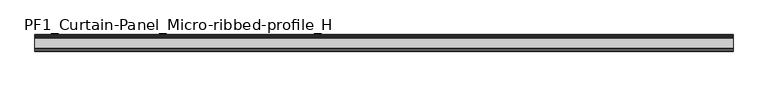
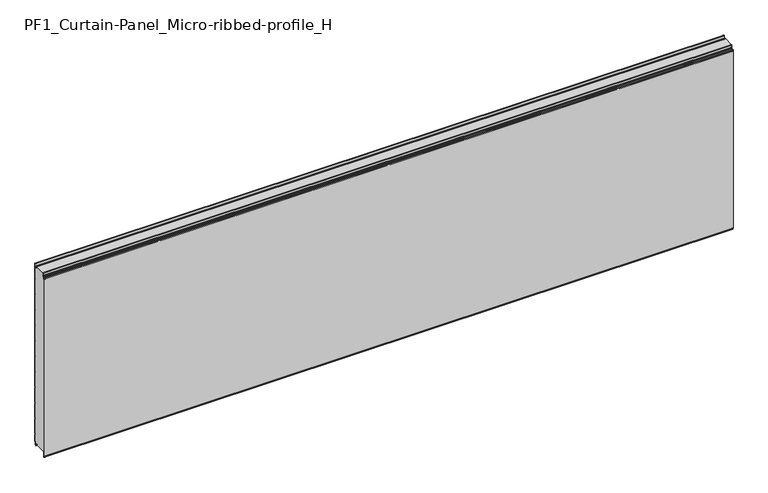
"""IFC4 building model written with IfcOpenShell, lengths in millimetres: plate geometry, PF1_Curtain-Panel_Micro-ribbed-profile_H."""

import ifcopenshell
import ifcopenshell.guid

model = None  # the IFC model being written
_history = None  # IfcOwnerHistory: only IFC2X3 demands one
_inside = {}  # id of a spatial element -> (the spatial element, [elements in it])
_under = {}  # id of a project, library or spatial element -> (it, [spatial elements below it])
_declared = {}  # id of a project -> (the project, [libraries it declares])
_typed = {}  # id of a type object -> (the type object, [elements of that type])
_made_of = {}  # id of a material, layer set ... -> (it, [elements and type objects made of it])


def new_model(schema):
    """Start an empty IFC model of exactly this schema.

    Asked for "IFC4X3", IfcOpenShell would pick the latest addendum, in which some entities
    have other attributes; the version numbers below select the first issue.
    IFC2X3 requires an IfcOwnerHistory on every rooted entity: one is made here for all.
    """
    global model, _history
    if schema == "IFC4X3":
        model = ifcopenshell.file(schema_version=(4, 3, 0, 0))
    else:
        model = ifcopenshell.file(schema=schema)
    _inside.clear()
    _under.clear()
    _declared.clear()
    _typed.clear()
    _made_of.clear()
    _history = None
    if model.schema == "IFC2X3":
        org = make("IfcOrganization", Name="unknown")
        user = make(
            "IfcPersonAndOrganization",
            ThePerson=make("IfcPerson", FamilyName="unknown"),
            TheOrganization=org,
        )
        app = make(
            "IfcApplication",
            ApplicationDeveloper=org,
            Version="unknown",
            ApplicationFullName="unknown",
            ApplicationIdentifier="unknown",
        )
        _history = make(
            "IfcOwnerHistory",
            OwningUser=user,
            OwningApplication=app,
            ChangeAction="ADDED",
            CreationDate=0,
        )
    return model


def make(cls, **values):
    """One entity of the class cls with the attributes given. An attribute that is None is left unset."""
    return model.create_entity(
        cls, **{name: value for name, value in values.items() if value is not None}
    )


def rooted(cls, **values):
    """An entity with a GlobalId (a new one), such as an element, a storey or a relation."""
    return make(cls, GlobalId=ifcopenshell.guid.new(), OwnerHistory=_history, **values)


def si_unit(unit_type, name, prefix=None):
    """IfcSIUnit, for example si_unit("LENGTHUNIT", "METRE", prefix="MILLI")."""
    return make("IfcSIUnit", UnitType=unit_type, Prefix=prefix, Name=name)


def assignment(units):
    """IfcUnitAssignment: the units of a project."""
    return None if units is None else make("IfcUnitAssignment", Units=units)


def point(xyz):
    """IfcCartesianPoint."""
    return None if xyz is None else make("IfcCartesianPoint", Coordinates=xyz)


def direction(xyz):
    """IfcDirection."""
    return None if xyz is None else make("IfcDirection", DirectionRatios=xyz)


def frame(location, z_axis=None, x_axis=None):
    """IfcAxis2Placement3D, a coordinate frame: its origin and axes. An axis left out is left unset."""
    return make(
        "IfcAxis2Placement3D",
        Location=point(location),
        Axis=direction(z_axis),
        RefDirection=direction(x_axis),
    )


def frame_2d(location, x_axis=None):
    """IfcAxis2Placement2D, a coordinate frame in the plane: its origin and x axis."""
    return make(
        "IfcAxis2Placement2D", Location=point(location), RefDirection=direction(x_axis)
    )


def origin():
    """The frame at (0, 0, 0) with its axes left unset."""
    return frame((0.0, 0.0, 0.0))


def place(relative_to, where):
    """IfcLocalPlacement: puts the frame where relative to a parent placement (None: the world)."""
    return make(
        "IfcLocalPlacement", PlacementRelTo=relative_to, RelativePlacement=where
    )


def context(
    kind, dimensions, precision=None, world=None, true_north=None, identifier=None
):
    """IfcGeometricRepresentationContext, for example the 3D "Model" context."""
    return make(
        "IfcGeometricRepresentationContext",
        ContextIdentifier=identifier,
        ContextType=kind,
        CoordinateSpaceDimension=dimensions,
        Precision=precision,
        WorldCoordinateSystem=world,
        TrueNorth=true_north,
    )


def project(units=None, contexts=None):
    """IfcProject with its units and contexts."""
    return rooted(
        "IfcProject",
        Name="project",
        RepresentationContexts=contexts,
        UnitsInContext=assignment(units),
    )


def spatial(cls, under=None, at=None, **own):
    """A site, building, storey or space (cls), placed at a placement, below another one or the project."""
    s = rooted(cls, ObjectPlacement=at, **own)
    if under is not None:
        _under.setdefault(under.id(), (under, []))[1].append(s)
    return s


def polyline(points):
    """IfcPolyline through the points."""
    return make("IfcPolyline", Points=[point(p) for p in points])


def circle_curve(where, radius):
    """IfcCircle in the frame where."""
    return make("IfcCircle", Position=where, Radius=radius)


def trimmed(basis, trim1, trim2, sense, master):
    """IfcTrimmedCurve: the piece of a basis curve between two trims."""
    return make(
        "IfcTrimmedCurve",
        BasisCurve=basis,
        Trim1=trim1,
        Trim2=trim2,
        SenseAgreement=sense,
        MasterRepresentation=master,
    )


def segment(curve, same_sense, transition):
    """IfcCompositeCurveSegment."""
    return make(
        "IfcCompositeCurveSegment",
        Transition=transition,
        SameSense=same_sense,
        ParentCurve=curve,
    )


def composite_curve(segments, self_intersect=None):
    """IfcCompositeCurve: segments joined end to end."""
    return make("IfcCompositeCurve", Segments=segments, SelfIntersect=self_intersect)


def outline(outer, holes=None, kind="AREA"):
    """IfcArbitraryClosedProfileDef: a profile drawn as a closed curve; with holes, ...WithVoids."""
    if holes is None:
        return make("IfcArbitraryClosedProfileDef", ProfileType=kind, OuterCurve=outer)
    return make(
        "IfcArbitraryProfileDefWithVoids",
        ProfileType=kind,
        OuterCurve=outer,
        InnerCurves=holes,
    )


def extrude(swept, where, along, depth):
    """IfcExtrudedAreaSolid: the profile swept, set in the frame where, extruded along a direction by depth."""
    return make(
        "IfcExtrudedAreaSolid",
        SweptArea=swept,
        Position=where,
        ExtrudedDirection=direction(along),
        Depth=depth,
    )


def shape(context_of_items, identifier, shape_type, items):
    """IfcShapeRepresentation: the items that make up one representation, for example the "Body"."""
    return make(
        "IfcShapeRepresentation",
        ContextOfItems=context_of_items,
        RepresentationIdentifier=identifier,
        RepresentationType=shape_type,
        Items=items,
    )


def source(mapping_origin, context_of_items, identifier, shape_type, items):
    """IfcRepresentationMap: a shape defined once, which mapped items show again and again."""
    return make(
        "IfcRepresentationMap",
        MappingOrigin=mapping_origin,
        MappedRepresentation=shape(context_of_items, identifier, shape_type, items),
    )


def transform(
    local_origin,
    x_axis=None,
    y_axis=None,
    z_axis=None,
    scale=None,
    scale2=None,
    scale3=None,
    uniform=True,
):
    """IfcCartesianTransformationOperator3D, or its non-uniform kind. x_axis, y_axis, z_axis: its Axis1, 2, 3."""
    if uniform:
        return make(
            "IfcCartesianTransformationOperator3D",
            Axis1=direction(x_axis),
            Axis2=direction(y_axis),
            LocalOrigin=point(local_origin),
            Scale=scale,
            Axis3=direction(z_axis),
        )
    return make(
        "IfcCartesianTransformationOperator3DnonUniform",
        Axis1=direction(x_axis),
        Axis2=direction(y_axis),
        LocalOrigin=point(local_origin),
        Scale=scale,
        Axis3=direction(z_axis),
        Scale2=scale2,
        Scale3=scale3,
    )


def mapped(mapping_source, mapping_target):
    """IfcMappedItem: shows the shape of a source again, moved by a transform."""
    return make(
        "IfcMappedItem", MappingSource=mapping_source, MappingTarget=mapping_target
    )


def made_of(thing, what):
    """Note that an element or type object is made of a material, layer set ...; save() writes the relation."""
    if what is not None:
        _made_of.setdefault(what.id(), (what, []))[1].append(thing)
    return thing


def element(
    cls,
    number,
    at=None,
    inside=None,
    cuts=None,
    type_object=None,
    material=None,
    context=None,
    identifier="Body",
    shape_type=None,
    held_by="IfcProductDefinitionShape",
    body=None,
    shapes=None,
    **own,
):
    """One element of the class cls, such as IfcWall. Its Tag is "e" and its number.

    at: its placement. inside: the storey or other place that contains it. cuts: it is an
    opening in that element (IfcRelVoidsElement). A single representation is given by context,
    identifier, shape_type and body (its items); several are given by shapes. held_by: the class
    of the entity that holds the representations. save() writes the other relations.
    """
    e = rooted(cls, Tag="e%d" % number, ObjectPlacement=at, **own)
    if body is not None:
        shapes = [shape(context, identifier, shape_type, body)]
    if shapes is not None:
        e.Representation = make(held_by, Representations=shapes)
    if inside is not None:
        _inside.setdefault(inside.id(), (inside, []))[1].append(e)
    if cuts is not None:
        rooted(
            "IfcRelVoidsElement", RelatingBuildingElement=cuts, RelatedOpeningElement=e
        )
    if type_object is not None:
        _typed.setdefault(type_object.id(), (type_object, []))[1].append(e)
    return made_of(e, material)


def aggregate(whole, parts):
    """IfcRelAggregates: a whole, such as a stair, and the parts it consists of."""
    return rooted("IfcRelAggregates", RelatingObject=whole, RelatedObjects=parts)


def save(model, path):
    """Write the relations noted so far, then the file.

    IfcRelAggregates (storeys below a building ...), IfcRelContainedInSpatialStructure (elements
    in a storey), IfcRelDefinesByType, IfcRelAssociatesMaterial and IfcRelDeclares: one each for
    every whole, place, type object, material and project.
    """
    for whole, parts in _under.values():
        aggregate(whole, parts)
    for where, things in _inside.values():
        rooted(
            "IfcRelContainedInSpatialStructure",
            RelatedElements=things,
            RelatingStructure=where,
        )
    for kind, things in _typed.values():
        rooted("IfcRelDefinesByType", RelatedObjects=things, RelatingType=kind)
    for what, things in _made_of.values():
        rooted("IfcRelAssociatesMaterial", RelatedObjects=things, RelatingMaterial=what)
    for by, libraries in _declared.values():
        rooted("IfcRelDeclares", RelatingContext=by, RelatedDefinitions=libraries)
    model.write(path)


def pf1_curtain_panel_micro_ribbed_profile_h_33a53c1e(model_context):
    return source(origin(), model_context, "Body", "SweptSolid", [
        extrude(outline(composite_curve([segment(polyline([(-90.0, 0.0), (-93.5, 0.0)]), True, "CONTINUOUS"), segment(trimmed(circle_curve(frame_2d((-93.5, -2.0)), 2.0), [point((-93.5, 0.0))], [point((-95.5, -2.0))], True, "CARTESIAN"), True, "CONTINUOUS"), segment(polyline([(-95.5, -2.0), (-95.5, -33.0)]), True, "CONTINUOUS"), segment(trimmed(circle_curve(frame_2d((-96.5, -33.0)), 1.0), [point((-95.5, -33.0))], [point((-97.5, -33.0))], False, "CARTESIAN"), True, "CONTINUOUS"), segment(polyline([(-97.5, -33.0), (-97.5, -26.9)]), True, "CONTINUOUS"), segment(trimmed(circle_curve(frame_2d((-98.4, -26.9)), 0.9), [point((-97.5, -26.9))], [point((-98.4, -26.0))], True, "CARTESIAN"), True, "CONTINUOUS"), segment(trimmed(circle_curve(frame_2d((-98.4, -24.4)), 1.6), [point((-98.4, -26.0))], [point((-100.0, -24.4))], False, "CARTESIAN"), True, "CONTINUOUS"), segment(polyline([(-100.0, -24.4), (-100.0, 1123.168846)]), True, "CONTINUOUS"), segment(trimmed(circle_curve(frame_2d((-99.0, 1123.168846)), 1.0), [point((-100.0, 1123.168846))], [point((-98.0, 1123.168846))], False, "CARTESIAN"), True, "CONTINUOUS"), segment(polyline([(-98.0, 1123.168846), (-98.0, 1117.168846)]), True, "CONTINUOUS"), segment(trimmed(circle_curve(frame_2d((-96.5, 1117.168846)), 1.5), [point((-98.0, 1117.168846))], [point((-95.0, 1117.168846))], True, "CARTESIAN"), True, "CONTINUOUS"), segment(polyline([(-95.0, 1117.168846), (-95.0, 1117.9964664)]), True, "CONTINUOUS"), segment(trimmed(circle_curve(frame_2d((-88.8276204, 1117.9964664)), 6.1723796), [point((-95.0, 1117.9964664))], [point((-88.8276204, 1124.168846))], False, "CARTESIAN"), True, "CONTINUOUS"), segment(polyline([(-88.8276204, 1124.168846), (-88.0, 1124.168846)]), True, "CONTINUOUS"), segment(trimmed(circle_curve(frame_2d((-88.0, 1125.168846)), 1.0), [point((-88.0, 1124.168846))], [point((-87.0, 1125.168846))], True, "CARTESIAN"), True, "CONTINUOUS"), segment(polyline([(-87.0, 1125.168846), (-87.0, 1131.6688472), (-85.4999999, 1133.168846), (-87.0, 1134.6688448), (-87.0, 1146.568846)]), True, "CONTINUOUS"), segment(trimmed(circle_curve(frame_2d((-84.4, 1146.568846)), 2.6), [point((-87.0, 1146.568846))], [point((-84.4, 1149.168846))], False, "CARTESIAN"), True, "CONTINUOUS"), segment(polyline([(-84.4, 1149.168846), (-83.0, 1149.168846), (-83.0, 1148.368846), (-84.4, 1148.368846)]), True, "CONTINUOUS"), segment(trimmed(circle_curve(frame_2d((-84.4, 1146.568846)), 1.8), [point((-84.4, 1148.368846))], [point((-86.2, 1146.568846))], True, "CARTESIAN"), True, "CONTINUOUS"), segment(polyline([(-86.2, 1146.568846), (-86.2, 1135.0002158), (-84.3686285, 1133.168846), (-86.2, 1131.3374762), (-86.2, 1125.168846)]), True, "CONTINUOUS"), segment(trimmed(circle_curve(frame_2d((-88.0, 1125.168846)), 1.8), [point((-86.2, 1125.168846))], [point((-88.0, 1123.368846))], False, "CARTESIAN"), True, "CONTINUOUS"), segment(polyline([(-88.0, 1123.368846), (-88.8276204, 1123.368846)]), True, "CONTINUOUS"), segment(trimmed(circle_curve(frame_2d((-88.8276204, 1117.9964664)), 5.3723796), [point((-88.8276204, 1123.368846))], [point((-94.2, 1117.9964664))], True, "CARTESIAN"), True, "CONTINUOUS"), segment(polyline([(-94.2, 1117.9964664), (-94.2, 1117.168846)]), True, "CONTINUOUS"), segment(trimmed(circle_curve(frame_2d((-96.4, 1117.168846)), 2.2), [point((-94.2, 1117.168846))], [point((-98.6, 1117.168846))], False, "CARTESIAN"), True, "CONTINUOUS"), segment(polyline([(-98.6, 1117.168846), (-98.6, 1123.0579973)]), True, "CONTINUOUS"), segment(trimmed(circle_curve(frame_2d((-98.9, 1123.0579973)), 0.3), [point((-98.6, 1123.0579973))], [point((-99.2, 1123.0579973))], True, "CARTESIAN"), True, "CONTINUOUS"), segment(polyline([(-99.2, 1123.0579973), (-99.2, -24.4)]), True, "CONTINUOUS"), segment(trimmed(circle_curve(frame_2d((-98.4, -24.4)), 0.8), [point((-99.2, -24.4))], [point((-98.4, -25.2))], True, "CARTESIAN"), True, "CONTINUOUS"), segment(trimmed(circle_curve(frame_2d((-98.6133333, -26.9)), 1.7133333), [point((-98.4, -25.2))], [point((-96.9, -26.9))], False, "CARTESIAN"), True, "CONTINUOUS"), segment(polyline([(-96.9, -26.9), (-96.9, -32.8700312)]), True, "CONTINUOUS"), segment(trimmed(circle_curve(frame_2d((-96.6, -32.8700312)), 0.3), [point((-96.9, -32.8700312))], [point((-96.3, -32.8700312))], True, "CARTESIAN"), True, "CONTINUOUS"), segment(polyline([(-96.3, -32.8700312), (-96.3, -2.0)]), True, "CONTINUOUS"), segment(trimmed(circle_curve(frame_2d((-93.5, -2.0)), 2.8), [point((-96.3, -2.0))], [point((-93.5, 0.8))], False, "CARTESIAN"), True, "CONTINUOUS"), segment(polyline([(-93.5, 0.8), (-90.0, 0.8), (-90.0, 0.0)]), True, "CONTINUOUS")], self_intersect=False)), frame((-2100.0, 0.0, 0.0), z_axis=(1.0, 0.0, 0.0), x_axis=(0.0, 1.0, 0.0)), (0.0, 0.0, 1.0), 4200.0),
        extrude(outline(composite_curve([segment(polyline([(-15.878557, 0.0), (-20.0, 0.0), (-20.0, 0.8), (-15.878557, 0.8)]), True, "CONTINUOUS"), segment(trimmed(circle_curve(frame_2d((-15.878557, -2.0)), 2.8), [point((-15.878557, 0.8))], [point((-13.1503208, -1.370137))], False, "CARTESIAN"), True, "CONTINUOUS"), segment(polyline([(-13.1503208, -1.370137), (-11.728236, -7.529863)]), True, "CONTINUOUS"), segment(trimmed(circle_curve(frame_2d((-9.0, -6.9)), 2.8), [point((-11.728236, -7.529863))], [point((-6.2, -6.9))], True, "CARTESIAN"), True, "CONTINUOUS"), segment(polyline([(-6.2, -6.9), (-6.2, 8.6)]), True, "CONTINUOUS"), segment(trimmed(circle_curve(frame_2d((-3.4, 8.6)), 2.8), [point((-6.2, 8.6))], [point((-3.4, 11.4))], False, "CARTESIAN"), True, "CONTINUOUS"), segment(polyline([(-3.4, 11.4), (-2.0, 11.4)]), True, "CONTINUOUS"), segment(trimmed(circle_curve(frame_2d((-2.0, 12.6)), 1.2), [point((-2.0, 11.4))], [point((-0.8, 12.6))], True, "CARTESIAN"), True, "CONTINUOUS"), segment(polyline([(-0.8, 12.6), (-0.8, 57.6856412), (-2.482606, 60.6), (-0.8, 63.5143588), (-0.8, 157.6856412), (-2.482606, 160.6), (-0.8, 163.5143588), (-0.8, 257.6856412), (-2.482606, 260.6), (-0.8, 263.5143588), (-0.8, 357.6856412), (-2.482606, 360.6), (-0.8, 363.5143588), (-0.8, 457.6856412), (-2.482606, 460.6), (-0.8, 463.5143588), (-0.8, 557.6856412), (-2.482606, 560.6), (-0.8, 563.5143588), (-0.8, 657.6856412), (-2.482606, 660.6), (-0.8, 663.5143588), (-0.8, 757.6856412), (-2.482606, 760.6), (-0.8, 763.5143588), (-0.8, 857.6856412), (-2.482606, 860.6), (-0.8, 863.5143588), (-0.8, 957.6856412), (-2.482606, 960.6), (-0.8, 963.5143588), (-0.8, 1057.6856412), (-2.482606, 1060.6), (-0.8, 1063.5143588), (-0.8, 1158.268846)]), True, "CONTINUOUS"), segment(trimmed(circle_curve(frame_2d((-2.5, 1158.268846)), 1.7), [point((-0.8, 1158.268846))], [point((-4.2, 1158.268846))], True, "CARTESIAN"), True, "CONTINUOUS"), segment(polyline([(-4.2, 1158.268846), (-4.2, 1141.268846)]), True, "CONTINUOUS"), segment(trimmed(circle_curve(frame_2d((-9.0, 1141.268846)), 4.8), [point((-4.2, 1141.268846))], [point((-13.7270771, 1140.4353344))], False, "CARTESIAN"), True, "CONTINUOUS"), segment(polyline([(-13.7270771, 1140.4353344), (-14.8636953, 1146.8814129)]), True, "CONTINUOUS"), segment(trimmed(circle_curve(frame_2d((-16.6363492, 1146.568846)), 1.8), [point((-14.8636953, 1146.8814129))], [point((-16.6363492, 1148.368846))], True, "CARTESIAN"), True, "CONTINUOUS"), segment(polyline([(-16.6363492, 1148.368846), (-20.0, 1148.368846), (-20.0, 1149.168846), (-16.6363492, 1149.168846)]), True, "CONTINUOUS"), segment(trimmed(circle_curve(frame_2d((-16.6363492, 1146.568846)), 2.6), [point((-16.6363492, 1149.168846))], [point((-14.0758491, 1147.0203315))], False, "CARTESIAN"), True, "CONTINUOUS"), segment(polyline([(-14.0758491, 1147.0203315), (-12.939231, 1140.574253)]), True, "CONTINUOUS"), segment(trimmed(circle_curve(frame_2d((-9.0, 1141.268846)), 4.0), [point((-12.939231, 1140.574253))], [point((-5.0, 1141.268846))], True, "CARTESIAN"), True, "CONTINUOUS"), segment(polyline([(-5.0, 1141.268846), (-5.0, 1158.268846)]), True, "CONTINUOUS"), segment(trimmed(circle_curve(frame_2d((-2.5, 1158.268846)), 2.5), [point((-5.0, 1158.268846))], [point((0.0, 1158.268846))], False, "CARTESIAN"), True, "CONTINUOUS"), segment(polyline([(0.0, 1158.268846), (0.0, 1063.2999995), (-1.5588455, 1060.6), (0.0, 1057.9000005), (0.0, 963.2999995), (-1.5588455, 960.6), (0.0, 957.9000005), (0.0, 863.2999995), (-1.5588455, 860.6), (0.0, 857.9000005), (0.0, 763.2999995), (-1.5588455, 760.6), (0.0, 757.9000005), (0.0, 663.2999995), (-1.5588455, 660.6), (0.0, 657.9000005), (0.0, 563.2999995), (-1.5588455, 560.6), (0.0, 557.9000005), (0.0, 463.2999995), (-1.5588455, 460.6), (0.0, 457.9000005), (0.0, 363.2999995), (-1.5588455, 360.6), (0.0, 357.9000005), (0.0, 263.2999995), (-1.5588455, 260.6), (0.0, 257.9000005), (0.0, 163.2999995), (-1.5588455, 160.6), (0.0, 157.9000005), (0.0, 63.2999995), (-1.5588455, 60.6), (0.0, 57.9000005), (0.0, 12.6)]), True, "CONTINUOUS"), segment(trimmed(circle_curve(frame_2d((-2.0, 12.6)), 2.0), [point((0.0, 12.6))], [point((-2.0, 10.6))], False, "CARTESIAN"), True, "CONTINUOUS"), segment(polyline([(-2.0, 10.6), (-3.4, 10.6)]), True, "CONTINUOUS"), segment(trimmed(circle_curve(frame_2d((-3.4, 8.6)), 2.0), [point((-3.4, 10.6))], [point((-5.4, 8.6))], True, "CARTESIAN"), True, "CONTINUOUS"), segment(polyline([(-5.4, 8.6), (-5.4, -6.9)]), True, "CONTINUOUS"), segment(trimmed(circle_curve(frame_2d((-9.0, -6.9)), 3.6), [point((-5.4, -6.9))], [point((-12.5077322, -7.7098239))], False, "CARTESIAN"), True, "CONTINUOUS"), segment(polyline([(-12.5077322, -7.7098239), (-13.929817, -1.5500979)]), True, "CONTINUOUS"), segment(trimmed(circle_curve(frame_2d((-15.878557, -2.0)), 2.0), [point((-13.929817, -1.5500979))], [point((-15.878557, 0.0))], True, "CARTESIAN"), True, "CONTINUOUS")], self_intersect=False)), frame((-2100.0, 0.0, 0.0), z_axis=(1.0, 0.0, 0.0), x_axis=(0.0, 1.0, 0.0)), (0.0, 0.0, 1.0), 4200.0),
        extrude(outline(composite_curve([segment(polyline([(-90.0, 0.8), (-93.5, 0.8)]), True, "CONTINUOUS"), segment(trimmed(circle_curve(frame_2d((-93.5, -2.0)), 2.8), [point((-93.5, 0.8))], [point((-96.3, -2.0))], True, "CARTESIAN"), True, "CONTINUOUS"), segment(polyline([(-96.3, -2.0), (-96.3, -32.8700312)]), True, "CONTINUOUS"), segment(trimmed(circle_curve(frame_2d((-96.6, -32.8700312)), 0.3), [point((-96.3, -32.8700312))], [point((-96.9, -32.8700312))], False, "CARTESIAN"), True, "CONTINUOUS"), segment(polyline([(-96.9, -32.8700312), (-96.9, -26.9)]), True, "CONTINUOUS"), segment(trimmed(circle_curve(frame_2d((-98.6133333, -26.9)), 1.7133333), [point((-96.9, -26.9))], [point((-98.4, -25.2))], True, "CARTESIAN"), True, "CONTINUOUS"), segment(trimmed(circle_curve(frame_2d((-98.4, -24.4)), 0.8), [point((-98.4, -25.2))], [point((-99.2, -24.4))], False, "CARTESIAN"), True, "CONTINUOUS"), segment(polyline([(-99.2, -24.4), (-99.2, 1123.0579973)]), True, "CONTINUOUS"), segment(trimmed(circle_curve(frame_2d((-98.9, 1123.0579973)), 0.3), [point((-99.2, 1123.0579973))], [point((-98.6, 1123.0579973))], False, "CARTESIAN"), True, "CONTINUOUS"), segment(polyline([(-98.6, 1123.0579973), (-98.6, 1117.168846)]), True, "CONTINUOUS"), segment(trimmed(circle_curve(frame_2d((-96.4, 1117.168846)), 2.2), [point((-98.6, 1117.168846))], [point((-94.2, 1117.168846))], True, "CARTESIAN"), True, "CONTINUOUS"), segment(polyline([(-94.2, 1117.168846), (-94.2, 1117.9964664)]), True, "CONTINUOUS"), segment(trimmed(circle_curve(frame_2d((-88.8276204, 1117.9964664)), 5.3723796), [point((-94.2, 1117.9964664))], [point((-88.8276204, 1123.368846))], False, "CARTESIAN"), True, "CONTINUOUS"), segment(polyline([(-88.8276204, 1123.368846), (-88.0, 1123.368846)]), True, "CONTINUOUS"), segment(trimmed(circle_curve(frame_2d((-88.0, 1125.168846)), 1.8), [point((-88.0, 1123.368846))], [point((-86.2, 1125.168846))], True, "CARTESIAN"), True, "CONTINUOUS"), segment(polyline([(-86.2, 1125.168846), (-86.2, 1131.3374762), (-84.3686285, 1133.168846), (-86.2, 1135.0002158), (-86.2, 1146.568846)]), True, "CONTINUOUS"), segment(trimmed(circle_curve(frame_2d((-84.4, 1146.568846)), 1.8), [point((-86.2, 1146.568846))], [point((-84.4, 1148.368846))], False, "CARTESIAN"), True, "CONTINUOUS"), segment(polyline([(-84.4, 1148.368846), (-83.0, 1148.368846), (-83.0, 1149.168846), (-20.0, 1149.168846), (-20.0, 1148.368846), (-16.6363492, 1148.368846)]), True, "CONTINUOUS"), segment(trimmed(circle_curve(frame_2d((-16.6363492, 1146.568846)), 1.8), [point((-16.6363492, 1148.368846))], [point((-14.8636953, 1146.8814129))], False, "CARTESIAN"), True, "CONTINUOUS"), segment(polyline([(-14.8636953, 1146.8814129), (-13.7270772, 1140.4353344)]), True, "CONTINUOUS"), segment(trimmed(circle_curve(frame_2d((-9.0, 1141.268846)), 4.8), [point((-13.7270772, 1140.4353344))], [point((-4.2, 1141.268846))], True, "CARTESIAN"), True, "CONTINUOUS"), segment(polyline([(-4.2, 1141.268846), (-4.2, 1158.268846)]), True, "CONTINUOUS"), segment(trimmed(circle_curve(frame_2d((-2.5, 1158.268846)), 1.7), [point((-4.2, 1158.268846))], [point((-0.8, 1158.268846))], False, "CARTESIAN"), True, "CONTINUOUS"), segment(polyline([(-0.8, 1158.268846), (-0.8, 1063.5143588), (-2.482606, 1060.6), (-0.8, 1057.6856412), (-0.8, 963.5143588), (-2.482606, 960.6), (-0.8, 957.6856412), (-0.8, 863.5143588), (-2.482606, 860.6), (-0.8, 857.6856412), (-0.8, 763.5143588), (-2.482606, 760.6), (-0.8, 757.6856412), (-0.8, 663.5143588), (-2.482606, 660.6), (-0.8, 657.6856412), (-0.8, 563.5143588), (-2.482606, 560.6), (-0.8, 557.6856412), (-0.8, 463.5143588), (-2.482606, 460.6), (-0.8, 457.6856412), (-0.8, 363.5143588), (-2.482606, 360.6), (-0.8, 357.6856412), (-0.8, 263.5143588), (-2.482606, 260.6), (-0.8, 257.6856412), (-0.8, 163.5143588), (-2.482606, 160.6), (-0.8, 157.6856412), (-0.8, 63.5143588), (-2.482606, 60.6), (-0.8, 57.6856412), (-0.8, 12.6)]), True, "CONTINUOUS"), segment(trimmed(circle_curve(frame_2d((-2.0, 12.6)), 1.2), [point((-0.8, 12.6))], [point((-2.0, 11.4))], False, "CARTESIAN"), True, "CONTINUOUS"), segment(polyline([(-2.0, 11.4), (-3.4, 11.4)]), True, "CONTINUOUS"), segment(trimmed(circle_curve(frame_2d((-3.4, 8.6)), 2.8), [point((-3.4, 11.4))], [point((-6.2, 8.6))], True, "CARTESIAN"), True, "CONTINUOUS"), segment(polyline([(-6.2, 8.6), (-6.2, -6.9)]), True, "CONTINUOUS"), segment(trimmed(circle_curve(frame_2d((-9.0, -6.9)), 2.8), [point((-6.2, -6.9))], [point((-11.7282362, -7.529863))], False, "CARTESIAN"), True, "CONTINUOUS"), segment(polyline([(-11.7282362, -7.529863), (-13.1503208, -1.370137)]), True, "CONTINUOUS"), segment(trimmed(circle_curve(frame_2d((-15.878557, -2.0)), 2.8), [point((-13.1503208, -1.370137))], [point((-15.878557, 0.8))], True, "CARTESIAN"), True, "CONTINUOUS"), segment(polyline([(-15.878557, 0.8), (-20.0, 0.8), (-20.0, 0.0), (-90.0, 0.0), (-90.0, 0.8)]), True, "CONTINUOUS")], self_intersect=False)), frame((-2100.0, 0.0, 0.0), z_axis=(1.0, 0.0, 0.0), x_axis=(0.0, 1.0, 0.0)), (0.0, 0.0, 1.0), 4200.0),
    ])


if __name__ == "__main__":
    model = new_model("IFC4")
    model_context = context("Model", 3, world=origin())
    ifc_project = project(units=[si_unit("LENGTHUNIT", "METRE", prefix="MILLI")], contexts=[model_context])
    site = spatial("IfcSite", under=ifc_project)
    building = spatial("IfcBuilding", under=site)
    placement = place(None, origin())
    pf1_curtain_panel_micro_ribbed_profile_h_shape = pf1_curtain_panel_micro_ribbed_profile_h_33a53c1e(model_context)
    element("IfcPlate", 1, ObjectType="PF1_Curtain-Panel_Micro-ribbed-profile_H", at=placement, inside=building, context=model_context, shape_type="MappedRepresentation", body=[
        mapped(pf1_curtain_panel_micro_ribbed_profile_h_shape, transform((0.0, 0.0, 0.0), x_axis=(1.0, 0.0, 0.0), y_axis=(0.0, 1.0, 0.0), z_axis=(0.0, 0.0, 1.0))),
    ])
    save(model, "model.ifc")
